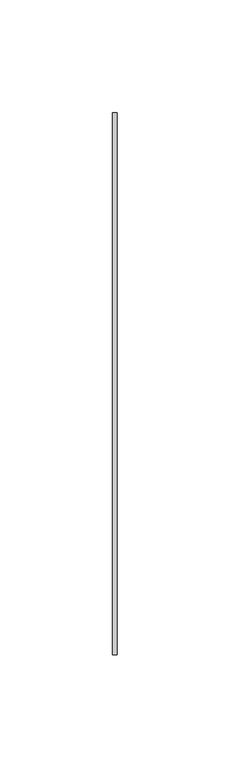
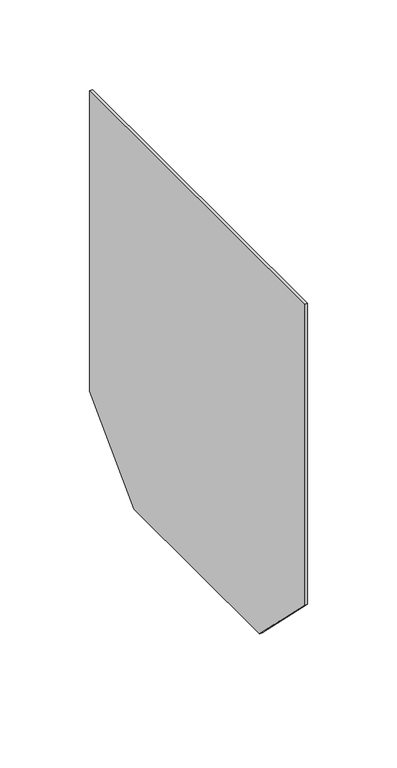
"""IFC4 building model written with IfcOpenShell, lengths in millimetres: proxy geometry."""

from ifc_helpers import new_model, si_unit, frame, origin, place, context, project, spatial, polyline, outline, extrude, source, transform, mapped, element, save


def generic_models_78443bd4(model_context):
    return source(origin(), model_context, "Body", "SweptSolid", [
        extrude(outline(polyline([(120.0, -205.0), (70.0, -255.0), (-70.0, -255.0), (-120.0, -205.0), (-120.0, 0.0), (120.0, 0.0), (120.0, -205.0)])), frame((0.0, 0.0, 0.0), z_axis=(1.0, 0.0, 0.0), x_axis=(0.0, 1.0, 0.0)), (0.0, 0.0, 1.0), 2.0),
    ])


if __name__ == "__main__":
    model = new_model("IFC4")
    model_context = context("Model", 3, world=origin())
    ifc_project = project(units=[si_unit("LENGTHUNIT", "METRE", prefix="MILLI")], contexts=[model_context])
    site = spatial("IfcSite", under=ifc_project)
    building = spatial("IfcBuilding", under=site)
    placement = place(None, origin())
    generic_models_shape = generic_models_78443bd4(model_context)
    element("IfcBuildingElementProxy", 1, Name="Generic Models", at=placement, inside=building, context=model_context, shape_type="MappedRepresentation", body=[
        mapped(generic_models_shape, transform((0.0, 0.0, 0.0), x_axis=(1.0, 0.0, 0.0), y_axis=(0.0, 1.0, 0.0), z_axis=(0.0, 0.0, 1.0))),
    ])
    save(model, "model.ifc")
